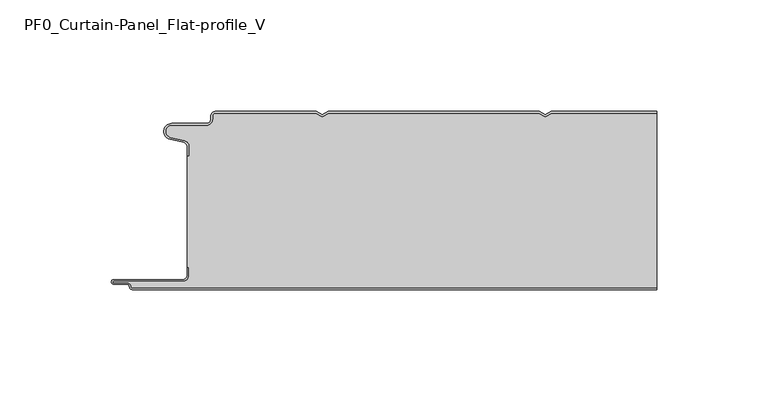
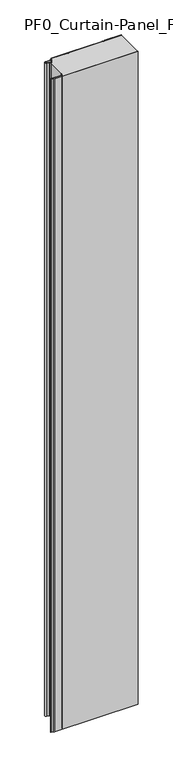
"""IFC4 building model written with IfcOpenShell, lengths in millimetres: plate geometry, PF0_Curtain-Panel_Flat-profile_V."""

from ifc_helpers import new_model, si_unit, point, frame_2d, origin, origin_with_axes, place, context, project, spatial, polyline, circle_curve, trimmed, segment, composite_curve, outline, extrude, source, transform, mapped, element, save


def pf0_curtain_panel_flat_profile_v_43de8c88(model_context):
    return source(origin(), model_context, "Body", "SweptSolid", [
        extrude(outline(composite_curve([segment(trimmed(circle_curve(frame_2d((-102.0119739, -15.878557)), 2.0), [point((-100.0119739, -15.878557))], [point((-101.5620718, -13.9298169))], True, "CARTESIAN"), True, "CONTINUOUS"), segment(polyline([(-101.5620718, -13.9298169), (-107.7217978, -12.507732)]), True, "CONTINUOUS"), segment(trimmed(circle_curve(frame_2d((-106.9119739, -9.0)), 3.6), [point((-107.7217978, -12.507732))], [point((-106.9119739, -5.4))], False, "CARTESIAN"), True, "CONTINUOUS"), segment(polyline([(-106.9119739, -5.4), (-91.4119739, -5.4)]), True, "CONTINUOUS"), segment(trimmed(circle_curve(frame_2d((-91.4119739, -3.4)), 2.0), [point((-91.4119739, -5.4))], [point((-89.4119739, -3.4))], True, "CARTESIAN"), True, "CONTINUOUS"), segment(polyline([(-89.4119739, -3.4), (-89.4119739, -2.0)]), True, "CONTINUOUS"), segment(trimmed(circle_curve(frame_2d((-87.4119739, -2.0)), 2.0), [point((-89.4119739, -2.0))], [point((-87.4119739, 0.0))], False, "CARTESIAN"), True, "CONTINUOUS"), segment(polyline([(-87.4119739, 0.0), (-42.1119734, 0.0), (-39.4119739, -1.5588455), (-36.7119745, 0.0), (57.8880266, 0.0), (60.5880261, -1.5588455), (63.2880255, 0.0), (110.6119739, 0.0), (110.6119739, -0.8), (63.5023849, -0.8), (60.5880261, -2.482606), (57.6736672, -0.8), (-36.4976151, -0.8), (-39.4119739, -2.482606), (-42.3263328, -0.8), (-87.4119739, -0.8)]), True, "CONTINUOUS"), segment(trimmed(circle_curve(frame_2d((-87.4119739, -2.0)), 1.2), [point((-87.4119739, -0.8))], [point((-88.6119739, -2.0))], True, "CARTESIAN"), True, "CONTINUOUS"), segment(polyline([(-88.6119739, -2.0), (-88.6119739, -3.4)]), True, "CONTINUOUS"), segment(trimmed(circle_curve(frame_2d((-91.4119739, -3.4)), 2.8), [point((-88.6119739, -3.4))], [point((-91.4119739, -6.2))], False, "CARTESIAN"), True, "CONTINUOUS"), segment(polyline([(-91.4119739, -6.2), (-106.9119739, -6.2)]), True, "CONTINUOUS"), segment(trimmed(circle_curve(frame_2d((-106.9119739, -9.0)), 2.8), [point((-106.9119739, -6.2))], [point((-107.541837, -11.7282362))], True, "CARTESIAN"), True, "CONTINUOUS"), segment(polyline([(-107.541837, -11.7282362), (-101.3821109, -13.150321)]), True, "CONTINUOUS"), segment(trimmed(circle_curve(frame_2d((-102.0119739, -15.878557)), 2.8), [point((-101.3821109, -13.150321))], [point((-99.2119739, -15.878557))], False, "CARTESIAN"), True, "CONTINUOUS"), segment(polyline([(-99.2119739, -15.878557), (-99.2119739, -20.0), (-100.0119739, -20.0), (-100.0119739, -15.878557)]), True, "CONTINUOUS")], self_intersect=False)), origin_with_axes(), (0.0, 0.0, 1.0), 1945.7507136),
        extrude(outline(composite_curve([segment(polyline([(-99.2119739, -70.0), (-100.0119739, -70.0), (-100.0119739, -20.0), (-99.2119739, -20.0), (-99.2119739, -15.878557)]), True, "CONTINUOUS"), segment(trimmed(circle_curve(frame_2d((-102.0119739, -15.878557)), 2.8), [point((-99.2119739, -15.878557))], [point((-101.3821109, -13.1503208))], True, "CARTESIAN"), True, "CONTINUOUS"), segment(polyline([(-101.3821109, -13.1503208), (-107.5418369, -11.7282362)]), True, "CONTINUOUS"), segment(trimmed(circle_curve(frame_2d((-106.9119739, -9.0)), 2.8), [point((-107.5418369, -11.7282362))], [point((-106.9119739, -6.2))], False, "CARTESIAN"), True, "CONTINUOUS"), segment(polyline([(-106.9119739, -6.2), (-91.4119739, -6.2)]), True, "CONTINUOUS"), segment(trimmed(circle_curve(frame_2d((-91.4119739, -3.4)), 2.8), [point((-91.4119739, -6.2))], [point((-88.6119739, -3.4))], True, "CARTESIAN"), True, "CONTINUOUS"), segment(polyline([(-88.6119739, -3.4), (-88.6119739, -2.0)]), True, "CONTINUOUS"), segment(trimmed(circle_curve(frame_2d((-87.4119739, -2.0)), 1.2), [point((-88.6119739, -2.0))], [point((-87.4119739, -0.8))], False, "CARTESIAN"), True, "CONTINUOUS"), segment(polyline([(-87.4119739, -0.8), (-42.3263328, -0.8), (-39.4119739, -2.482606), (-36.4976151, -0.8), (57.6736672, -0.8), (60.5880261, -2.482606), (63.5023849, -0.8), (110.6119739, -0.8), (110.6119739, -79.2), (-124.4119739, -79.2)]), True, "CONTINUOUS"), segment(trimmed(circle_curve(frame_2d((-124.4119739, -78.4)), 0.8), [point((-124.4119739, -79.2))], [point((-125.2119739, -78.4))], False, "CARTESIAN"), True, "CONTINUOUS"), segment(trimmed(circle_curve(frame_2d((-126.9119739, -78.6133333)), 1.7133333), [point((-125.2119739, -78.4))], [point((-126.9119739, -76.9))], True, "CARTESIAN"), True, "CONTINUOUS"), segment(polyline([(-126.9119739, -76.9), (-132.8820051, -76.9)]), True, "CONTINUOUS"), segment(trimmed(circle_curve(frame_2d((-132.8820051, -76.6)), 0.3), [point((-132.8820051, -76.9))], [point((-132.8820051, -76.3))], False, "CARTESIAN"), True, "CONTINUOUS"), segment(polyline([(-132.8820051, -76.3), (-102.0119739, -76.3)]), True, "CONTINUOUS"), segment(trimmed(circle_curve(frame_2d((-102.0119739, -73.5)), 2.8), [point((-102.0119739, -76.3))], [point((-99.2119739, -73.5))], True, "CARTESIAN"), True, "CONTINUOUS"), segment(polyline([(-99.2119739, -73.5), (-99.2119739, -70.0)]), True, "CONTINUOUS")], self_intersect=False)), origin_with_axes(), (0.0, 0.0, 1.0), 1945.7507136),
        extrude(outline(composite_curve([segment(polyline([(-100.0119739, -70.0), (-99.2119739, -70.0), (-99.2119739, -73.5)]), True, "CONTINUOUS"), segment(trimmed(circle_curve(frame_2d((-102.0119739, -73.5)), 2.8), [point((-99.2119739, -73.5))], [point((-102.0119739, -76.3))], False, "CARTESIAN"), True, "CONTINUOUS"), segment(polyline([(-102.0119739, -76.3), (-132.8820051, -76.3)]), True, "CONTINUOUS"), segment(trimmed(circle_curve(frame_2d((-132.8820051, -76.6)), 0.3), [point((-132.8820051, -76.3))], [point((-132.8820051, -76.9))], True, "CARTESIAN"), True, "CONTINUOUS"), segment(polyline([(-132.8820051, -76.9), (-126.9119739, -76.9)]), True, "CONTINUOUS"), segment(trimmed(circle_curve(frame_2d((-126.9119739, -78.6133333)), 1.7133333), [point((-126.9119739, -76.9))], [point((-125.2119739, -78.4))], False, "CARTESIAN"), True, "CONTINUOUS"), segment(trimmed(circle_curve(frame_2d((-124.4119739, -78.4)), 0.8), [point((-125.2119739, -78.4))], [point((-124.4119739, -79.2))], True, "CARTESIAN"), True, "CONTINUOUS"), segment(polyline([(-124.4119739, -79.2), (110.6119739, -79.2), (110.6119739, -80.0), (-124.4119739, -80.0)]), True, "CONTINUOUS"), segment(trimmed(circle_curve(frame_2d((-124.4119739, -78.4)), 1.6), [point((-124.4119739, -80.0))], [point((-126.0119739, -78.4))], False, "CARTESIAN"), True, "CONTINUOUS"), segment(trimmed(circle_curve(frame_2d((-126.9119739, -78.4)), 0.9), [point((-126.0119739, -78.4))], [point((-126.9119739, -77.5))], True, "CARTESIAN"), True, "CONTINUOUS"), segment(polyline([(-126.9119739, -77.5), (-133.0119739, -77.5)]), True, "CONTINUOUS"), segment(trimmed(circle_curve(frame_2d((-133.0119739, -76.5)), 1.0), [point((-133.0119739, -77.5))], [point((-133.0119739, -75.5))], False, "CARTESIAN"), True, "CONTINUOUS"), segment(polyline([(-133.0119739, -75.5), (-102.0119739, -75.5)]), True, "CONTINUOUS"), segment(trimmed(circle_curve(frame_2d((-102.0119739, -73.5)), 2.0), [point((-102.0119739, -75.5))], [point((-100.0119739, -73.5))], True, "CARTESIAN"), True, "CONTINUOUS"), segment(polyline([(-100.0119739, -73.5), (-100.0119739, -70.0)]), True, "CONTINUOUS")], self_intersect=False)), origin_with_axes(), (0.0, 0.0, 1.0), 1945.7507136),
    ])


if __name__ == "__main__":
    model = new_model("IFC4")
    model_context = context("Model", 3, world=origin())
    ifc_project = project(units=[si_unit("LENGTHUNIT", "METRE", prefix="MILLI")], contexts=[model_context])
    site = spatial("IfcSite", under=ifc_project)
    building = spatial("IfcBuilding", under=site)
    placement = place(None, origin())
    pf0_curtain_panel_flat_profile_v_shape = pf0_curtain_panel_flat_profile_v_43de8c88(model_context)
    element("IfcPlate", 1, ObjectType="PF0_Curtain-Panel_Flat-profile_V", at=placement, inside=building, context=model_context, shape_type="MappedRepresentation", body=[
        mapped(pf0_curtain_panel_flat_profile_v_shape, transform((0.0, 0.0, 0.0), x_axis=(1.0, 0.0, 0.0), y_axis=(0.0, 1.0, 0.0), z_axis=(0.0, 0.0, 1.0))),
    ])
    save(model, "model.ifc")
